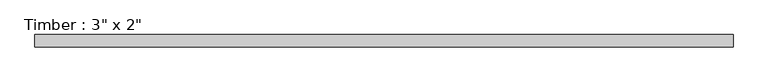
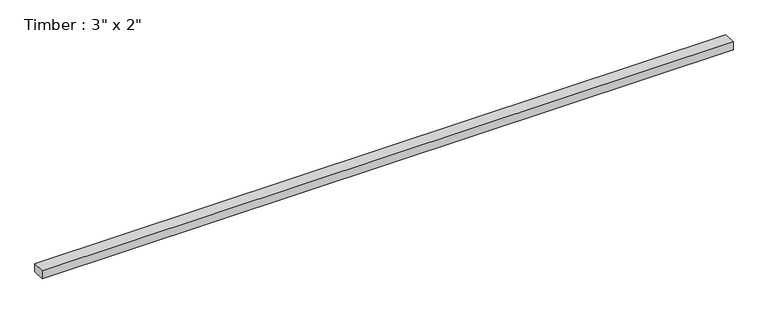
"""IFC4 building model written with IfcOpenShell, lengths in millimetres: beam geometry."""

import ifcopenshell
import ifcopenshell.guid

model = None  # the IFC model being written
_history = None  # IfcOwnerHistory: only IFC2X3 demands one
_inside = {}  # id of a spatial element -> (the spatial element, [elements in it])
_under = {}  # id of a project, library or spatial element -> (it, [spatial elements below it])
_declared = {}  # id of a project -> (the project, [libraries it declares])
_typed = {}  # id of a type object -> (the type object, [elements of that type])
_made_of = {}  # id of a material, layer set ... -> (it, [elements and type objects made of it])


def new_model(schema):
    """Start an empty IFC model of exactly this schema.

    Asked for "IFC4X3", IfcOpenShell would pick the latest addendum, in which some entities
    have other attributes; the version numbers below select the first issue.
    IFC2X3 requires an IfcOwnerHistory on every rooted entity: one is made here for all.
    """
    global model, _history
    if schema == "IFC4X3":
        model = ifcopenshell.file(schema_version=(4, 3, 0, 0))
    else:
        model = ifcopenshell.file(schema=schema)
    _inside.clear()
    _under.clear()
    _declared.clear()
    _typed.clear()
    _made_of.clear()
    _history = None
    if model.schema == "IFC2X3":
        org = make("IfcOrganization", Name="unknown")
        user = make(
            "IfcPersonAndOrganization",
            ThePerson=make("IfcPerson", FamilyName="unknown"),
            TheOrganization=org,
        )
        app = make(
            "IfcApplication",
            ApplicationDeveloper=org,
            Version="unknown",
            ApplicationFullName="unknown",
            ApplicationIdentifier="unknown",
        )
        _history = make(
            "IfcOwnerHistory",
            OwningUser=user,
            OwningApplication=app,
            ChangeAction="ADDED",
            CreationDate=0,
        )
    return model


def make(cls, **values):
    """One entity of the class cls with the attributes given. An attribute that is None is left unset."""
    return model.create_entity(
        cls, **{name: value for name, value in values.items() if value is not None}
    )


def rooted(cls, **values):
    """An entity with a GlobalId (a new one), such as an element, a storey or a relation."""
    return make(cls, GlobalId=ifcopenshell.guid.new(), OwnerHistory=_history, **values)


def si_unit(unit_type, name, prefix=None):
    """IfcSIUnit, for example si_unit("LENGTHUNIT", "METRE", prefix="MILLI")."""
    return make("IfcSIUnit", UnitType=unit_type, Prefix=prefix, Name=name)


def assignment(units):
    """IfcUnitAssignment: the units of a project."""
    return None if units is None else make("IfcUnitAssignment", Units=units)


def point(xyz):
    """IfcCartesianPoint."""
    return None if xyz is None else make("IfcCartesianPoint", Coordinates=xyz)


def direction(xyz):
    """IfcDirection."""
    return None if xyz is None else make("IfcDirection", DirectionRatios=xyz)


def frame(location, z_axis=None, x_axis=None):
    """IfcAxis2Placement3D, a coordinate frame: its origin and axes. An axis left out is left unset."""
    return make(
        "IfcAxis2Placement3D",
        Location=point(location),
        Axis=direction(z_axis),
        RefDirection=direction(x_axis),
    )


def origin():
    """The frame at (0, 0, 0) with its axes left unset."""
    return frame((0.0, 0.0, 0.0))


def place(relative_to, where):
    """IfcLocalPlacement: puts the frame where relative to a parent placement (None: the world)."""
    return make(
        "IfcLocalPlacement", PlacementRelTo=relative_to, RelativePlacement=where
    )


def context(
    kind, dimensions, precision=None, world=None, true_north=None, identifier=None
):
    """IfcGeometricRepresentationContext, for example the 3D "Model" context."""
    return make(
        "IfcGeometricRepresentationContext",
        ContextIdentifier=identifier,
        ContextType=kind,
        CoordinateSpaceDimension=dimensions,
        Precision=precision,
        WorldCoordinateSystem=world,
        TrueNorth=true_north,
    )


def project(units=None, contexts=None):
    """IfcProject with its units and contexts."""
    return rooted(
        "IfcProject",
        Name="project",
        RepresentationContexts=contexts,
        UnitsInContext=assignment(units),
    )


def spatial(cls, under=None, at=None, **own):
    """A site, building, storey or space (cls), placed at a placement, below another one or the project."""
    s = rooted(cls, ObjectPlacement=at, **own)
    if under is not None:
        _under.setdefault(under.id(), (under, []))[1].append(s)
    return s


def polyline(points):
    """IfcPolyline through the points."""
    return make("IfcPolyline", Points=[point(p) for p in points])


def outline(outer, holes=None, kind="AREA"):
    """IfcArbitraryClosedProfileDef: a profile drawn as a closed curve; with holes, ...WithVoids."""
    if holes is None:
        return make("IfcArbitraryClosedProfileDef", ProfileType=kind, OuterCurve=outer)
    return make(
        "IfcArbitraryProfileDefWithVoids",
        ProfileType=kind,
        OuterCurve=outer,
        InnerCurves=holes,
    )


def extrude(swept, where, along, depth):
    """IfcExtrudedAreaSolid: the profile swept, set in the frame where, extruded along a direction by depth."""
    return make(
        "IfcExtrudedAreaSolid",
        SweptArea=swept,
        Position=where,
        ExtrudedDirection=direction(along),
        Depth=depth,
    )


def shape(context_of_items, identifier, shape_type, items):
    """IfcShapeRepresentation: the items that make up one representation, for example the "Body"."""
    return make(
        "IfcShapeRepresentation",
        ContextOfItems=context_of_items,
        RepresentationIdentifier=identifier,
        RepresentationType=shape_type,
        Items=items,
    )


def source(mapping_origin, context_of_items, identifier, shape_type, items):
    """IfcRepresentationMap: a shape defined once, which mapped items show again and again."""
    return make(
        "IfcRepresentationMap",
        MappingOrigin=mapping_origin,
        MappedRepresentation=shape(context_of_items, identifier, shape_type, items),
    )


def transform(
    local_origin,
    x_axis=None,
    y_axis=None,
    z_axis=None,
    scale=None,
    scale2=None,
    scale3=None,
    uniform=True,
):
    """IfcCartesianTransformationOperator3D, or its non-uniform kind. x_axis, y_axis, z_axis: its Axis1, 2, 3."""
    if uniform:
        return make(
            "IfcCartesianTransformationOperator3D",
            Axis1=direction(x_axis),
            Axis2=direction(y_axis),
            LocalOrigin=point(local_origin),
            Scale=scale,
            Axis3=direction(z_axis),
        )
    return make(
        "IfcCartesianTransformationOperator3DnonUniform",
        Axis1=direction(x_axis),
        Axis2=direction(y_axis),
        LocalOrigin=point(local_origin),
        Scale=scale,
        Axis3=direction(z_axis),
        Scale2=scale2,
        Scale3=scale3,
    )


def mapped(mapping_source, mapping_target):
    """IfcMappedItem: shows the shape of a source again, moved by a transform."""
    return make(
        "IfcMappedItem", MappingSource=mapping_source, MappingTarget=mapping_target
    )


def made_of(thing, what):
    """Note that an element or type object is made of a material, layer set ...; save() writes the relation."""
    if what is not None:
        _made_of.setdefault(what.id(), (what, []))[1].append(thing)
    return thing


def element(
    cls,
    number,
    at=None,
    inside=None,
    cuts=None,
    type_object=None,
    material=None,
    context=None,
    identifier="Body",
    shape_type=None,
    held_by="IfcProductDefinitionShape",
    body=None,
    shapes=None,
    **own,
):
    """One element of the class cls, such as IfcWall. Its Tag is "e" and its number.

    at: its placement. inside: the storey or other place that contains it. cuts: it is an
    opening in that element (IfcRelVoidsElement). A single representation is given by context,
    identifier, shape_type and body (its items); several are given by shapes. held_by: the class
    of the entity that holds the representations. save() writes the other relations.
    """
    e = rooted(cls, Tag="e%d" % number, ObjectPlacement=at, **own)
    if body is not None:
        shapes = [shape(context, identifier, shape_type, body)]
    if shapes is not None:
        e.Representation = make(held_by, Representations=shapes)
    if inside is not None:
        _inside.setdefault(inside.id(), (inside, []))[1].append(e)
    if cuts is not None:
        rooted(
            "IfcRelVoidsElement", RelatingBuildingElement=cuts, RelatedOpeningElement=e
        )
    if type_object is not None:
        _typed.setdefault(type_object.id(), (type_object, []))[1].append(e)
    return made_of(e, material)


def aggregate(whole, parts):
    """IfcRelAggregates: a whole, such as a stair, and the parts it consists of."""
    return rooted("IfcRelAggregates", RelatingObject=whole, RelatedObjects=parts)


def save(model, path):
    """Write the relations noted so far, then the file.

    IfcRelAggregates (storeys below a building ...), IfcRelContainedInSpatialStructure (elements
    in a storey), IfcRelDefinesByType, IfcRelAssociatesMaterial and IfcRelDeclares: one each for
    every whole, place, type object, material and project.
    """
    for whole, parts in _under.values():
        aggregate(whole, parts)
    for where, things in _inside.values():
        rooted(
            "IfcRelContainedInSpatialStructure",
            RelatedElements=things,
            RelatingStructure=where,
        )
    for kind, things in _typed.values():
        rooted("IfcRelDefinesByType", RelatedObjects=things, RelatingType=kind)
    for what, things in _made_of.values():
        rooted("IfcRelAssociatesMaterial", RelatedObjects=things, RelatingMaterial=what)
    for by, libraries in _declared.values():
        rooted("IfcRelDeclares", RelatingContext=by, RelatedDefinitions=libraries)
    model.write(path)


def beam_26f5303a(model_context):
    return source(origin(), model_context, "Body", "SweptSolid", [
        extrude(outline(polyline([(2136.3542987, 38.1), (2136.3542987, -38.1), (-2136.3542987, -38.1), (-2136.3542987, 38.1), (2136.3542987, 38.1)])), frame((0.0, 0.0, -25.4), z_axis=(0.0, 0.0, 1.0), x_axis=(1.0, 0.0, 0.0)), (0.0, 0.0, 1.0), 50.8),
    ])


if __name__ == "__main__":
    model = new_model("IFC4")
    model_context = context("Model", 3, world=origin())
    ifc_project = project(units=[si_unit("LENGTHUNIT", "METRE", prefix="MILLI")], contexts=[model_context])
    site = spatial("IfcSite", under=ifc_project)
    building = spatial("IfcBuilding", under=site)
    placement = place(None, origin())
    beam_shape = beam_26f5303a(model_context)
    element("IfcBeam", 1, ObjectType="Timber : 3\" x 2\"", at=placement, inside=building, context=model_context, shape_type="MappedRepresentation", body=[
        mapped(beam_shape, transform((0.0, 0.0, 0.0), x_axis=(1.0, 0.0, 0.0), y_axis=(0.0, 1.0, 0.0), z_axis=(0.0, 0.0, 1.0))),
    ])
    save(model, "model.ifc")
